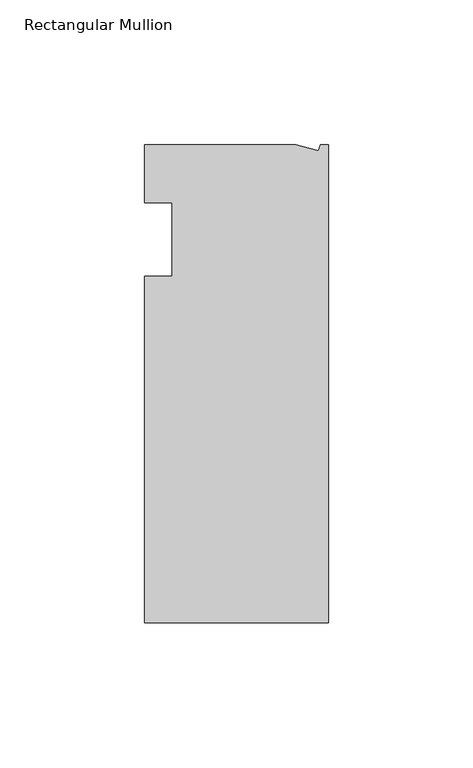
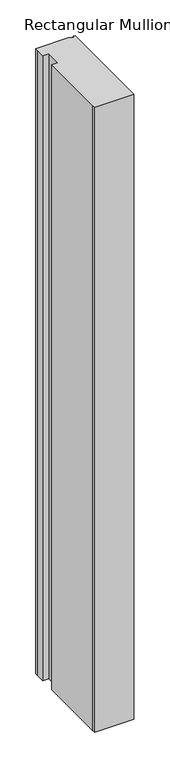
"""IFC4 building model written with IfcOpenShell, lengths in millimetres: member geometry, Rectangular Mullion."""

import ifcopenshell
import ifcopenshell.guid

model = None  # the IFC model being written
_history = None  # IfcOwnerHistory: only IFC2X3 demands one
_inside = {}  # id of a spatial element -> (the spatial element, [elements in it])
_under = {}  # id of a project, library or spatial element -> (it, [spatial elements below it])
_declared = {}  # id of a project -> (the project, [libraries it declares])
_typed = {}  # id of a type object -> (the type object, [elements of that type])
_made_of = {}  # id of a material, layer set ... -> (it, [elements and type objects made of it])


def new_model(schema):
    """Start an empty IFC model of exactly this schema.

    Asked for "IFC4X3", IfcOpenShell would pick the latest addendum, in which some entities
    have other attributes; the version numbers below select the first issue.
    IFC2X3 requires an IfcOwnerHistory on every rooted entity: one is made here for all.
    """
    global model, _history
    if schema == "IFC4X3":
        model = ifcopenshell.file(schema_version=(4, 3, 0, 0))
    else:
        model = ifcopenshell.file(schema=schema)
    _inside.clear()
    _under.clear()
    _declared.clear()
    _typed.clear()
    _made_of.clear()
    _history = None
    if model.schema == "IFC2X3":
        org = make("IfcOrganization", Name="unknown")
        user = make(
            "IfcPersonAndOrganization",
            ThePerson=make("IfcPerson", FamilyName="unknown"),
            TheOrganization=org,
        )
        app = make(
            "IfcApplication",
            ApplicationDeveloper=org,
            Version="unknown",
            ApplicationFullName="unknown",
            ApplicationIdentifier="unknown",
        )
        _history = make(
            "IfcOwnerHistory",
            OwningUser=user,
            OwningApplication=app,
            ChangeAction="ADDED",
            CreationDate=0,
        )
    return model


def make(cls, **values):
    """One entity of the class cls with the attributes given. An attribute that is None is left unset."""
    return model.create_entity(
        cls, **{name: value for name, value in values.items() if value is not None}
    )


def rooted(cls, **values):
    """An entity with a GlobalId (a new one), such as an element, a storey or a relation."""
    return make(cls, GlobalId=ifcopenshell.guid.new(), OwnerHistory=_history, **values)


def si_unit(unit_type, name, prefix=None):
    """IfcSIUnit, for example si_unit("LENGTHUNIT", "METRE", prefix="MILLI")."""
    return make("IfcSIUnit", UnitType=unit_type, Prefix=prefix, Name=name)


def assignment(units):
    """IfcUnitAssignment: the units of a project."""
    return None if units is None else make("IfcUnitAssignment", Units=units)


def point(xyz):
    """IfcCartesianPoint."""
    return None if xyz is None else make("IfcCartesianPoint", Coordinates=xyz)


def direction(xyz):
    """IfcDirection."""
    return None if xyz is None else make("IfcDirection", DirectionRatios=xyz)


def frame(location, z_axis=None, x_axis=None):
    """IfcAxis2Placement3D, a coordinate frame: its origin and axes. An axis left out is left unset."""
    return make(
        "IfcAxis2Placement3D",
        Location=point(location),
        Axis=direction(z_axis),
        RefDirection=direction(x_axis),
    )


def origin():
    """The frame at (0, 0, 0) with its axes left unset."""
    return frame((0.0, 0.0, 0.0))


def place(relative_to, where):
    """IfcLocalPlacement: puts the frame where relative to a parent placement (None: the world)."""
    return make(
        "IfcLocalPlacement", PlacementRelTo=relative_to, RelativePlacement=where
    )


def context(
    kind, dimensions, precision=None, world=None, true_north=None, identifier=None
):
    """IfcGeometricRepresentationContext, for example the 3D "Model" context."""
    return make(
        "IfcGeometricRepresentationContext",
        ContextIdentifier=identifier,
        ContextType=kind,
        CoordinateSpaceDimension=dimensions,
        Precision=precision,
        WorldCoordinateSystem=world,
        TrueNorth=true_north,
    )


def project(units=None, contexts=None):
    """IfcProject with its units and contexts."""
    return rooted(
        "IfcProject",
        Name="project",
        RepresentationContexts=contexts,
        UnitsInContext=assignment(units),
    )


def spatial(cls, under=None, at=None, **own):
    """A site, building, storey or space (cls), placed at a placement, below another one or the project."""
    s = rooted(cls, ObjectPlacement=at, **own)
    if under is not None:
        _under.setdefault(under.id(), (under, []))[1].append(s)
    return s


def polyline(points):
    """IfcPolyline through the points."""
    return make("IfcPolyline", Points=[point(p) for p in points])


def outline(outer, holes=None, kind="AREA"):
    """IfcArbitraryClosedProfileDef: a profile drawn as a closed curve; with holes, ...WithVoids."""
    if holes is None:
        return make("IfcArbitraryClosedProfileDef", ProfileType=kind, OuterCurve=outer)
    return make(
        "IfcArbitraryProfileDefWithVoids",
        ProfileType=kind,
        OuterCurve=outer,
        InnerCurves=holes,
    )


def extrude(swept, where, along, depth):
    """IfcExtrudedAreaSolid: the profile swept, set in the frame where, extruded along a direction by depth."""
    return make(
        "IfcExtrudedAreaSolid",
        SweptArea=swept,
        Position=where,
        ExtrudedDirection=direction(along),
        Depth=depth,
    )


def shape(context_of_items, identifier, shape_type, items):
    """IfcShapeRepresentation: the items that make up one representation, for example the "Body"."""
    return make(
        "IfcShapeRepresentation",
        ContextOfItems=context_of_items,
        RepresentationIdentifier=identifier,
        RepresentationType=shape_type,
        Items=items,
    )


def source(mapping_origin, context_of_items, identifier, shape_type, items):
    """IfcRepresentationMap: a shape defined once, which mapped items show again and again."""
    return make(
        "IfcRepresentationMap",
        MappingOrigin=mapping_origin,
        MappedRepresentation=shape(context_of_items, identifier, shape_type, items),
    )


def transform(
    local_origin,
    x_axis=None,
    y_axis=None,
    z_axis=None,
    scale=None,
    scale2=None,
    scale3=None,
    uniform=True,
):
    """IfcCartesianTransformationOperator3D, or its non-uniform kind. x_axis, y_axis, z_axis: its Axis1, 2, 3."""
    if uniform:
        return make(
            "IfcCartesianTransformationOperator3D",
            Axis1=direction(x_axis),
            Axis2=direction(y_axis),
            LocalOrigin=point(local_origin),
            Scale=scale,
            Axis3=direction(z_axis),
        )
    return make(
        "IfcCartesianTransformationOperator3DnonUniform",
        Axis1=direction(x_axis),
        Axis2=direction(y_axis),
        LocalOrigin=point(local_origin),
        Scale=scale,
        Axis3=direction(z_axis),
        Scale2=scale2,
        Scale3=scale3,
    )


def mapped(mapping_source, mapping_target):
    """IfcMappedItem: shows the shape of a source again, moved by a transform."""
    return make(
        "IfcMappedItem", MappingSource=mapping_source, MappingTarget=mapping_target
    )


def made_of(thing, what):
    """Note that an element or type object is made of a material, layer set ...; save() writes the relation."""
    if what is not None:
        _made_of.setdefault(what.id(), (what, []))[1].append(thing)
    return thing


def element(
    cls,
    number,
    at=None,
    inside=None,
    cuts=None,
    type_object=None,
    material=None,
    context=None,
    identifier="Body",
    shape_type=None,
    held_by="IfcProductDefinitionShape",
    body=None,
    shapes=None,
    **own,
):
    """One element of the class cls, such as IfcWall. Its Tag is "e" and its number.

    at: its placement. inside: the storey or other place that contains it. cuts: it is an
    opening in that element (IfcRelVoidsElement). A single representation is given by context,
    identifier, shape_type and body (its items); several are given by shapes. held_by: the class
    of the entity that holds the representations. save() writes the other relations.
    """
    e = rooted(cls, Tag="e%d" % number, ObjectPlacement=at, **own)
    if body is not None:
        shapes = [shape(context, identifier, shape_type, body)]
    if shapes is not None:
        e.Representation = make(held_by, Representations=shapes)
    if inside is not None:
        _inside.setdefault(inside.id(), (inside, []))[1].append(e)
    if cuts is not None:
        rooted(
            "IfcRelVoidsElement", RelatingBuildingElement=cuts, RelatedOpeningElement=e
        )
    if type_object is not None:
        _typed.setdefault(type_object.id(), (type_object, []))[1].append(e)
    return made_of(e, material)


def aggregate(whole, parts):
    """IfcRelAggregates: a whole, such as a stair, and the parts it consists of."""
    return rooted("IfcRelAggregates", RelatingObject=whole, RelatedObjects=parts)


def save(model, path):
    """Write the relations noted so far, then the file.

    IfcRelAggregates (storeys below a building ...), IfcRelContainedInSpatialStructure (elements
    in a storey), IfcRelDefinesByType, IfcRelAssociatesMaterial and IfcRelDeclares: one each for
    every whole, place, type object, material and project.
    """
    for whole, parts in _under.values():
        aggregate(whole, parts)
    for where, things in _inside.values():
        rooted(
            "IfcRelContainedInSpatialStructure",
            RelatedElements=things,
            RelatingStructure=where,
        )
    for kind, things in _typed.values():
        rooted("IfcRelDefinesByType", RelatedObjects=things, RelatingType=kind)
    for what, things in _made_of.values():
        rooted("IfcRelAssociatesMaterial", RelatedObjects=things, RelatingMaterial=what)
    for by, libraries in _declared.values():
        rooted("IfcRelDeclares", RelatingContext=by, RelatedDefinitions=libraries)
    model.write(path)


def rectangular_mullion_8912819a(model_context):
    return source(origin(), model_context, "Body", "SweptSolid", [
        extrude(outline(polyline([(0.0, -132.5561012), (-63.5, -132.5561012), (-63.5, -126.2061012), (-63.5, -12.8054199), (-53.975, -12.8054199), (-53.975, 12.5945801), (-63.5, 12.5945801), (-63.5, 26.1938988), (-63.5, 32.5438988), (-11.121847, 32.5438988), (-3.3341886, 30.4622958), (-2.7616541, 32.5438988), (0.0, 32.5438988), (0.0, -132.5561012)])), frame((0.0, 0.0, -1067.96492), z_axis=(0.0, 0.0, 1.0), x_axis=(1.0, 0.0, 0.0)), (0.0, 0.0, 1.0), 1067.96492),
    ])


if __name__ == "__main__":
    model = new_model("IFC4")
    model_context = context("Model", 3, world=origin())
    ifc_project = project(units=[si_unit("LENGTHUNIT", "METRE", prefix="MILLI")], contexts=[model_context])
    site = spatial("IfcSite", under=ifc_project)
    building = spatial("IfcBuilding", under=site)
    placement = place(None, origin())
    rectangular_mullion_shape = rectangular_mullion_8912819a(model_context)
    element("IfcMember", 1, ObjectType="Rectangular Mullion", at=placement, inside=building, context=model_context, shape_type="MappedRepresentation", body=[
        mapped(rectangular_mullion_shape, transform((0.0, 0.0, 0.0), x_axis=(1.0, 0.0, 0.0), y_axis=(0.0, 1.0, 0.0), z_axis=(0.0, 0.0, 1.0))),
    ])
    save(model, "model.ifc")
